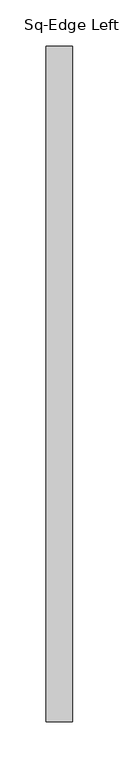
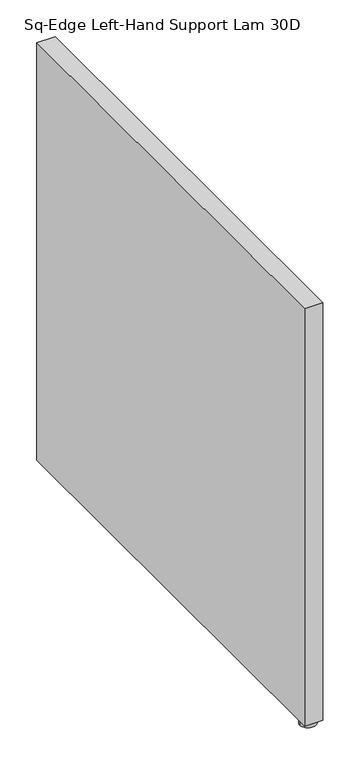
"""IFC4 building model written with IfcOpenShell, lengths in millimetres: furniture geometry, Sq-Edge Left-Hand Support Lam 30D."""

from ifc_helpers import new_model, si_unit, frame, origin, place, context, project, spatial, polyline, circle_curve, outline, extrude, source, transform, mapped, element, save
from ifc_brep_helpers import plane_surface, cylinder_surface, advanced_brep


def sq_edge_left_hand_support_lam_30d_a33a7dd1(model_context):
    return source(origin(), model_context, "Body", "SolidModel", [
        advanced_brep(
        [(15.9512, -717.1689845, 8.6613997), (20.0756459, -717.1689845, 8.6613997), (11.8267541, -717.1689845, 8.6613997), (3.2511996, -717.1689845, -1e-07), (28.6512004, -717.1689845, -1e-07), (15.9512, -717.1689845, -1e-07), (3.2511996, -717.1689845, 7.874), (28.6512004, -717.1689845, 7.874), (11.8267541, -717.1689845, 7.874), (20.0756459, -717.1689845, 7.874)],
        [
            (0, 1),
            (1, 2, circle_curve(frame((15.9512, -717.1689845, 8.6613997), z_axis=(0.0, 0.0, 1.0), x_axis=(1.0, 0.0, 0.0)), 4.1244459)),
            (2, 0),
            (2, 1, circle_curve(frame((15.9512, -717.1689845, 8.6613997), z_axis=(0.0, 0.0, 1.0), x_axis=(1.0, 0.0, 0.0)), 4.1244459)),
            (3, 4, circle_curve(frame((15.9512, -717.1689845, -1e-07), z_axis=(0.0, 0.0, -1.0), x_axis=(1.0, 0.0, 0.0)), 12.7000004)),
            (4, 5),
            (5, 3),
            (4, 3, circle_curve(frame((15.9512, -717.1689845, -1e-07), z_axis=(0.0, 0.0, -1.0), x_axis=(1.0, 0.0, 0.0)), 12.7000004)),
            (6, 7, circle_curve(frame((15.9512, -717.1689845, 7.874), z_axis=(0.0, 0.0, -1.0), x_axis=(1.0, 0.0, 0.0)), 12.7000004)),
            (7, 4),
            (3, 6),
            (7, 6, circle_curve(frame((15.9512, -717.1689845, 7.874), z_axis=(0.0, 0.0, -1.0), x_axis=(1.0, 0.0, 0.0)), 12.7000004)),
            (8, 9, circle_curve(frame((15.9512, -717.1689845, 7.874), z_axis=(0.0, 0.0, -1.0), x_axis=(1.0, 0.0, 0.0)), 4.1244459)),
            (9, 7),
            (6, 8),
            (9, 8, circle_curve(frame((15.9512, -717.1689845, 7.874), z_axis=(0.0, 0.0, -1.0), x_axis=(1.0, 0.0, 0.0)), 4.1244459)),
            (1, 9),
            (8, 2),
        ],
        [
            plane_surface(frame((15.9512, -717.1689845, 8.6613997), z_axis=(0.0, 0.0, 1.0), x_axis=(1.0, 0.0, 0.0))),
            plane_surface(frame((15.9512, -717.1689845, -1e-07), z_axis=(0.0, 0.0, -1.0), x_axis=(1.0, 0.0, 0.0))),
            cylinder_surface(frame((15.9512, -717.1689845, 15.4967659), z_axis=(0.0, 0.0, 1.0), x_axis=(1.0, 0.0, 0.0)), 12.7000004),
            plane_surface(frame((15.9512, -717.1689845, 7.874), z_axis=(0.0, 0.0, 1.0), x_axis=(1.0, 0.0, 0.0))),
            cylinder_surface(frame((15.9512, -717.1689845, 15.4967659), z_axis=(0.0, 0.0, 1.0), x_axis=(1.0, 0.0, 0.0)), 4.1244459),
        ],
        [
            (0, [[1, 2, 3]]),
            (0, [[-3, 4, -1]]),
            (1, [[5, 6, 7]]),
            (1, [[8, -7, -6]]),
            (2, [[9, 10, -5, 11]]),
            (2, [[12, -11, -8, -10]]),
            (3, [[13, 14, -9, 15]]),
            (3, [[16, -15, -12, -14]]),
            (4, [[-2, 17, -13, 18]]),
            (4, [[-4, -18, -16, -17]]),
        ],
    ),
        extrude(outline(polyline([(30.3784, -733.044), (1.524, -733.044), (1.524, -3.556), (30.3784, -3.556), (30.3784, -733.044)])), frame((0.0, 0.0, 8.6614), z_axis=(0.0, 0.0, 1.0), x_axis=(1.0, 0.0, 0.0)), (0.0, 0.0, 1.0), 693.7502),
    ])


if __name__ == "__main__":
    model = new_model("IFC4")
    model_context = context("Model", 3, world=origin())
    ifc_project = project(units=[si_unit("LENGTHUNIT", "METRE", prefix="MILLI")], contexts=[model_context])
    site = spatial("IfcSite", under=ifc_project)
    building = spatial("IfcBuilding", under=site)
    placement = place(None, origin())
    sq_edge_left_hand_support_lam_30d_shape = sq_edge_left_hand_support_lam_30d_a33a7dd1(model_context)
    element("IfcFurniture", 1, ObjectType="Sq-Edge Left-Hand Support Lam 30D", at=placement, inside=building, context=model_context, shape_type="MappedRepresentation", body=[
        mapped(sq_edge_left_hand_support_lam_30d_shape, transform((0.0, 0.0, 0.0), x_axis=(1.0, 0.0, 0.0), y_axis=(0.0, 1.0, 0.0), z_axis=(0.0, 0.0, 1.0))),
    ])
    save(model, "model.ifc")
